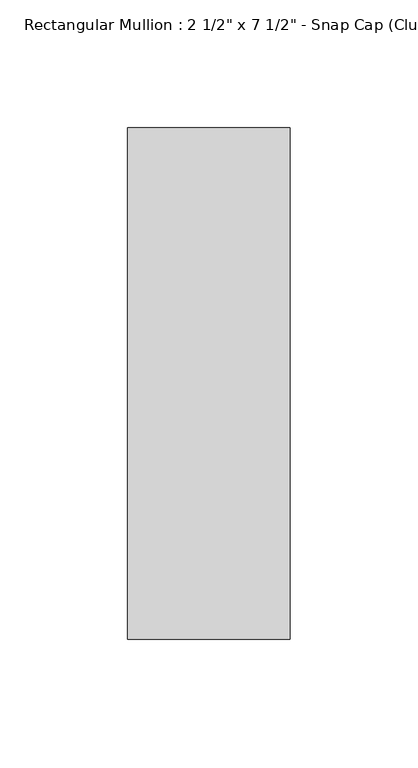
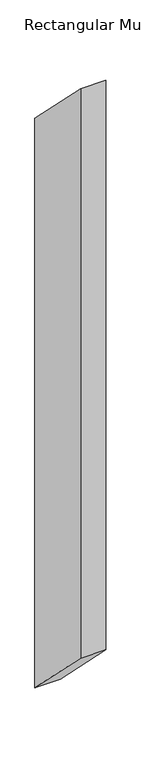
"""IFC4 building model written with IfcOpenShell, lengths in millimetres: member geometry."""

from ifc_helpers import new_model, si_unit, frame, origin, place, context, project, spatial, polyline, outline, extrude, source, transform, mapped, element, save


def member_3794b861(model_context):
    return source(origin(), model_context, "Body", "SweptSolid", [
        extrude(outline(polyline([(-25.8, 25.8), (174.2, -174.2), (174.2, -1693.9690717), (-25.8, -1493.9690717), (-25.8, 25.8)])), frame((-31.75, 0.0, 0.0), z_axis=(1.0, 0.0, 0.0), x_axis=(0.0, 1.0, 0.0)), (0.0, 0.0, 1.0), 63.5),
    ])


if __name__ == "__main__":
    model = new_model("IFC4")
    model_context = context("Model", 3, world=origin())
    ifc_project = project(units=[si_unit("LENGTHUNIT", "METRE", prefix="MILLI")], contexts=[model_context])
    site = spatial("IfcSite", under=ifc_project)
    building = spatial("IfcBuilding", under=site)
    placement = place(None, origin())
    member_shape = member_3794b861(model_context)
    element("IfcMember", 1, ObjectType="Rectangular Mullion : 2 1/2\" x 7 1/2\" - Snap Cap (Club)", at=placement, inside=building, context=model_context, shape_type="MappedRepresentation", body=[
        mapped(member_shape, transform((0.0, 0.0, 0.0), x_axis=(1.0, 0.0, 0.0), y_axis=(0.0, 1.0, 0.0), z_axis=(0.0, 0.0, 1.0))),
    ])
    save(model, "model.ifc")
